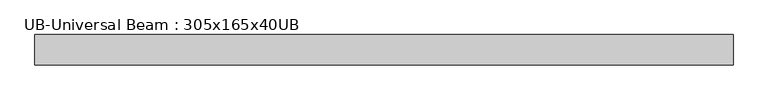
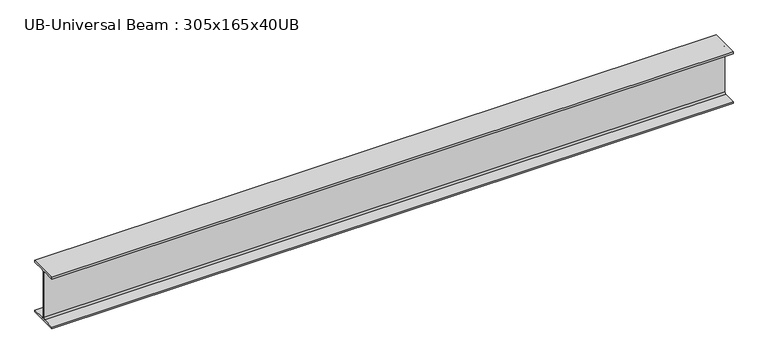
"""IFC4 building model written with IfcOpenShell, lengths in millimetres: beam geometry, UB-Universal Beam : 305x165x40UB."""

from ifc_helpers import new_model, si_unit, point, frame, frame_2d, origin, place, context, project, spatial, polyline, circle_curve, trimmed, segment, composite_curve, outline, extrude, source, transform, mapped, element, save


def ub_universal_beam_305x165x40ub_d27e3d77(model_context):
    return source(origin(), model_context, "Body", "SweptSolid", [
        extrude(outline(composite_curve([segment(polyline([(82.5, -141.5), (82.5, -151.7), (-82.5, -151.7), (-82.5, -141.5), (-11.9, -141.5)]), True, "CONTINUOUS"), segment(trimmed(circle_curve(frame_2d((-11.9, -132.6)), 8.9), [point((-11.9, -141.5))], [point((-3.0, -132.6))], True, "CARTESIAN"), True, "CONTINUOUS"), segment(polyline([(-3.0, -132.6), (-3.0, 132.6)]), True, "CONTINUOUS"), segment(trimmed(circle_curve(frame_2d((-11.9, 132.6)), 8.9), [point((-3.0, 132.6))], [point((-11.9, 141.5))], True, "CARTESIAN"), True, "CONTINUOUS"), segment(polyline([(-11.9, 141.5), (-82.5, 141.5), (-82.5, 151.7), (82.5, 151.7), (82.5, 141.5), (11.9, 141.5)]), True, "CONTINUOUS"), segment(trimmed(circle_curve(frame_2d((11.9, 132.6)), 8.9), [point((11.9, 141.5))], [point((3.0, 132.6))], True, "CARTESIAN"), True, "CONTINUOUS"), segment(polyline([(3.0, 132.6), (3.0, -132.6)]), True, "CONTINUOUS"), segment(trimmed(circle_curve(frame_2d((11.9, -132.6)), 8.9), [point((3.0, -132.6))], [point((11.9, -141.5))], True, "CARTESIAN"), True, "CONTINUOUS"), segment(polyline([(11.9, -141.5), (82.5, -141.5)]), True, "CONTINUOUS")], self_intersect=False)), frame((-1901.55, 0.0, 0.0), z_axis=(1.0, 0.0, 0.0), x_axis=(0.0, 1.0, 0.0)), (0.0, 0.0, 1.0), 3803.1),
    ])


if __name__ == "__main__":
    model = new_model("IFC4")
    model_context = context("Model", 3, world=origin())
    ifc_project = project(units=[si_unit("LENGTHUNIT", "METRE", prefix="MILLI")], contexts=[model_context])
    site = spatial("IfcSite", under=ifc_project)
    building = spatial("IfcBuilding", under=site)
    placement = place(None, origin())
    ub_universal_beam_305x165x40ub_shape = ub_universal_beam_305x165x40ub_d27e3d77(model_context)
    element("IfcBeam", 1, ObjectType="UB-Universal Beam : 305x165x40UB", at=placement, inside=building, context=model_context, shape_type="MappedRepresentation", body=[
        mapped(ub_universal_beam_305x165x40ub_shape, transform((0.0, 0.0, 0.0), x_axis=(1.0, 0.0, 0.0), y_axis=(0.0, 1.0, 0.0), z_axis=(0.0, 0.0, 1.0))),
    ])
    save(model, "model.ifc")
